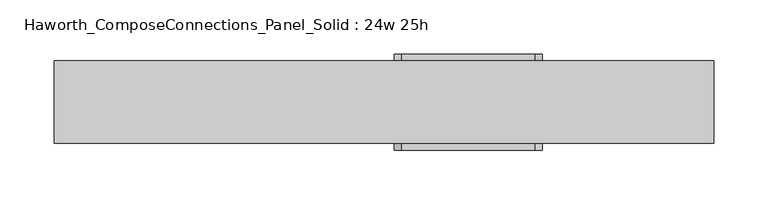
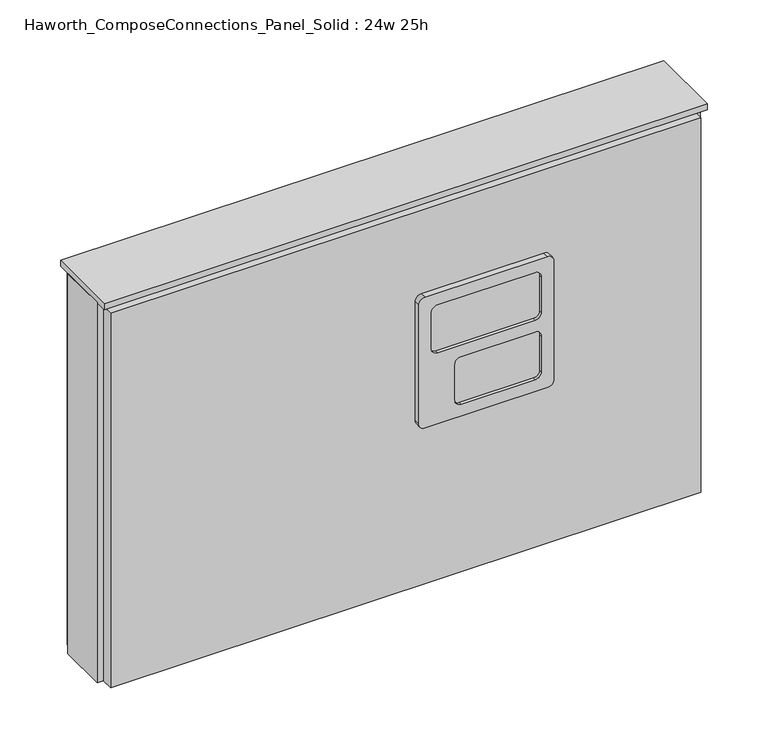
"""IFC4 building model written with IfcOpenShell, lengths in millimetres: furniture geometry, Haworth_ComposeConnections_Panel_Solid : 24w 25h."""

from ifc_helpers import new_model, si_unit, frame, origin, place, context, project, spatial, polyline, circle_curve, outline, extrude, source, transform, mapped, element, save
from ifc_brep_helpers import plane_surface, cylinder_surface, revolved_surface, advanced_brep


def haworth_composeconnections_panel_solid_24w_25h_9d634879(model_context):
    return source(origin(), model_context, "Body", "SolidModel", [
        advanced_brep(
        [(18.3152902, 38.1, 546.1), (11.9652902, 38.1, 539.75), (11.9652902, 38.1, 412.75), (18.3152902, 38.1, 406.4), (142.1402902, 38.1, 406.4), (148.4902902, 38.1, 412.75), (148.4902902, 38.1, 539.75), (142.1402902, 38.1, 546.1), (18.3152902, 44.45, 546.1), (142.1402902, 44.45, 546.1), (148.4902902, 44.45, 539.75), (148.4902902, 44.45, 412.75), (142.1402902, 44.45, 406.4), (18.3152902, 44.45, 406.4), (11.9652902, 44.45, 412.75), (11.9652902, 44.45, 539.75), (31.0152902, 44.45, 533.4), (24.6652902, 44.45, 527.05), (24.6652902, 44.45, 488.95), (31.0152902, 44.45, 482.6), (129.4402902, 44.45, 482.6), (135.7902902, 44.45, 488.95), (135.7902902, 44.45, 527.05), (129.4402902, 44.45, 533.4), (31.0152902, 44.45, 469.9), (24.6652902, 44.45, 463.55), (24.6652902, 44.45, 425.45), (31.0152902, 44.45, 419.1), (105.6277902, 44.45, 419.1), (111.9777902, 44.45, 425.45), (111.9777902, 44.45, 463.55), (105.6277902, 44.45, 469.9), (31.0152902, 41.275, 533.4), (129.4402902, 41.275, 533.4), (135.7902902, 41.275, 527.05), (135.7902902, 41.275, 488.95), (129.4402902, 41.275, 482.6), (31.0152902, 41.275, 482.6), (24.6652902, 41.275, 488.95), (24.6652902, 41.275, 527.05), (31.0152902, 41.275, 469.9), (105.6277902, 41.275, 469.9), (111.9777902, 41.275, 463.55), (111.9777902, 41.275, 425.45), (105.6277902, 41.275, 419.1), (31.0152902, 41.275, 419.1), (24.6652902, 41.275, 425.45), (24.6652902, 41.275, 463.55)],
        [
            (0, 1, circle_curve(frame((18.3152902, 38.1, 539.75), z_axis=(0.0, -1.0, 0.0), x_axis=(1.0, 0.0, 0.0)), 6.35)),
            (1, 2),
            (2, 3, circle_curve(frame((18.3152902, 38.1, 412.75), z_axis=(0.0, -1.0, 0.0), x_axis=(1.0, 0.0, 0.0)), 6.35)),
            (3, 4),
            (4, 5, circle_curve(frame((142.1402902, 38.1, 412.75), z_axis=(0.0, -1.0, 0.0), x_axis=(1.0, 0.0, 0.0)), 6.35)),
            (5, 6),
            (6, 7, circle_curve(frame((142.1402902, 38.1, 539.75), z_axis=(0.0, -1.0, 0.0), x_axis=(1.0, 0.0, 0.0)), 6.35)),
            (7, 0),
            (8, 9),
            (9, 10, circle_curve(frame((142.1402902, 44.45, 539.75), z_axis=(0.0, 1.0, 0.0), x_axis=(1.0, 0.0, 0.0)), 6.35)),
            (10, 11),
            (11, 12, circle_curve(frame((142.1402902, 44.45, 412.75), z_axis=(0.0, 1.0, 0.0), x_axis=(1.0, 0.0, 0.0)), 6.35)),
            (12, 13),
            (13, 14, circle_curve(frame((18.3152902, 44.45, 412.75), z_axis=(0.0, 1.0, 0.0), x_axis=(1.0, 0.0, 0.0)), 6.35)),
            (14, 15),
            (15, 8, circle_curve(frame((18.3152902, 44.45, 539.75), z_axis=(0.0, 1.0, 0.0), x_axis=(1.0, 0.0, 0.0)), 6.35)),
            (16, 17, circle_curve(frame((31.0152902, 44.45, 527.05), z_axis=(0.0, -1.0, 0.0), x_axis=(1.0, 0.0, 0.0)), 6.35)),
            (17, 18),
            (18, 19, circle_curve(frame((31.0152902, 44.45, 488.95), z_axis=(0.0, -1.0, 0.0), x_axis=(1.0, 0.0, 0.0)), 6.35)),
            (19, 20),
            (20, 21, circle_curve(frame((129.4402902, 44.45, 488.95), z_axis=(0.0, -1.0, 0.0), x_axis=(1.0, 0.0, 0.0)), 6.35)),
            (21, 22),
            (22, 23, circle_curve(frame((129.4402902, 44.45, 527.05), z_axis=(0.0, -1.0, 0.0), x_axis=(1.0, 0.0, 0.0)), 6.35)),
            (23, 16),
            (24, 25, circle_curve(frame((31.0152902, 44.45, 463.55), z_axis=(0.0, -1.0, 0.0), x_axis=(1.0, 0.0, 0.0)), 6.35)),
            (25, 26),
            (26, 27, circle_curve(frame((31.0152902, 44.45, 425.45), z_axis=(0.0, -1.0, 0.0), x_axis=(1.0, 0.0, 0.0)), 6.35)),
            (27, 28),
            (28, 29, circle_curve(frame((105.6277902, 44.45, 425.45), z_axis=(0.0, -1.0, 0.0), x_axis=(1.0, 0.0, 0.0)), 6.35)),
            (29, 30),
            (30, 31, circle_curve(frame((105.6277902, 44.45, 463.55), z_axis=(0.0, -1.0, 0.0), x_axis=(1.0, 0.0, 0.0)), 6.35)),
            (31, 24),
            (0, 8),
            (15, 1),
            (14, 2),
            (13, 3),
            (12, 4),
            (11, 5),
            (10, 6),
            (9, 7),
            (32, 33),
            (33, 34, circle_curve(frame((129.4402902, 41.275, 527.05), z_axis=(0.0, 1.0, 0.0), x_axis=(1.0, 0.0, 0.0)), 6.35)),
            (34, 35),
            (35, 36, circle_curve(frame((129.4402902, 41.275, 488.95), z_axis=(0.0, 1.0, 0.0), x_axis=(1.0, 0.0, 0.0)), 6.35)),
            (36, 37),
            (37, 38, circle_curve(frame((31.0152902, 41.275, 488.95), z_axis=(0.0, 1.0, 0.0), x_axis=(1.0, 0.0, 0.0)), 6.35)),
            (38, 39),
            (39, 32, circle_curve(frame((31.0152902, 41.275, 527.05), z_axis=(0.0, 1.0, 0.0), x_axis=(1.0, 0.0, 0.0)), 6.35)),
            (40, 41),
            (41, 42, circle_curve(frame((105.6277902, 41.275, 463.55), z_axis=(0.0, 1.0, 0.0), x_axis=(1.0, 0.0, 0.0)), 6.35)),
            (42, 43),
            (43, 44, circle_curve(frame((105.6277902, 41.275, 425.45), z_axis=(0.0, 1.0, 0.0), x_axis=(1.0, 0.0, 0.0)), 6.35)),
            (44, 45),
            (45, 46, circle_curve(frame((31.0152902, 41.275, 425.45), z_axis=(0.0, 1.0, 0.0), x_axis=(1.0, 0.0, 0.0)), 6.35)),
            (46, 47),
            (47, 40, circle_curve(frame((31.0152902, 41.275, 463.55), z_axis=(0.0, 1.0, 0.0), x_axis=(1.0, 0.0, 0.0)), 6.35)),
            (39, 17),
            (16, 32),
            (38, 18),
            (37, 19),
            (36, 20),
            (35, 21),
            (34, 22),
            (33, 23),
            (47, 25),
            (24, 40),
            (46, 26),
            (45, 27),
            (44, 28),
            (43, 29),
            (42, 30),
            (41, 31),
        ],
        [
            plane_surface(frame((24.6652902, 38.1, 539.75), z_axis=(0.0, -1.0, 0.0), x_axis=(0.0, 0.0, 1.0))),
            plane_surface(frame((24.6652902, 44.45, 539.75), z_axis=(0.0, 1.0, 0.0), x_axis=(0.0, 0.0, -1.0))),
            cylinder_surface(frame((18.3152902, 44.45, 539.75), z_axis=(0.0, -1.0, 0.0), x_axis=(1.0, 0.0, 0.0)), 6.35),
            plane_surface(frame((11.9652902, 38.1, 539.75), z_axis=(-1.0, 0.0, 0.0), x_axis=(0.0, 1.0, 0.0))),
            cylinder_surface(frame((18.3152902, 44.45, 412.75), z_axis=(0.0, -1.0, 0.0), x_axis=(1.0, 0.0, 0.0)), 6.35),
            plane_surface(frame((18.3152902, 38.1, 406.4), z_axis=(0.0, 0.0, -1.0), x_axis=(0.0, 1.0, 0.0))),
            cylinder_surface(frame((142.1402902, 44.45, 412.75), z_axis=(0.0, -1.0, 0.0), x_axis=(1.0, 0.0, 0.0)), 6.35),
            plane_surface(frame((148.4902902, 38.1, 412.75), z_axis=(1.0, 0.0, 0.0), x_axis=(0.0, 1.0, 0.0))),
            cylinder_surface(frame((142.1402902, 44.45, 539.75), z_axis=(0.0, -1.0, 0.0), x_axis=(1.0, 0.0, 0.0)), 6.35),
            plane_surface(frame((142.1402902, 38.1, 546.1), z_axis=(0.0, 0.0, 1.0), x_axis=(0.0, 1.0, 0.0))),
            plane_surface(frame((37.3652902, 41.275, 527.05), z_axis=(0.0, 1.0, 0.0), x_axis=(0.0, 0.0, 1.0))),
            revolved_surface(polyline([(37.3652902, 41.275, 527.05), (37.3652902, 44.45, 527.05)]), (31.0152902, 44.45, 527.05), (0.0, -1.0, 0.0)),
            plane_surface(frame((24.6652902, 41.275, 527.05), z_axis=(1.0, 0.0, 0.0), x_axis=(0.0, 1.0, 0.0))),
            revolved_surface(polyline([(37.3652902, 41.275, 488.95), (37.3652902, 44.45, 488.95)]), (31.0152902, 44.45, 488.95), (0.0, -1.0, 0.0)),
            plane_surface(frame((31.0152902, 41.275, 482.6), z_axis=(0.0, 0.0, 1.0), x_axis=(0.0, 1.0, 0.0))),
            revolved_surface(polyline([(135.7902902, 41.275, 488.95), (135.7902902, 44.45, 488.95)]), (129.4402902, 44.45, 488.95), (0.0, -1.0, 0.0)),
            plane_surface(frame((135.7902902, 41.275, 488.95), z_axis=(-1.0, 0.0, 0.0), x_axis=(0.0, 1.0, 0.0))),
            revolved_surface(polyline([(135.7902902, 41.275, 527.05), (135.7902902, 44.45, 527.05)]), (129.4402902, 44.45, 527.05), (0.0, -1.0, 0.0)),
            plane_surface(frame((129.4402902, 41.275, 533.4), z_axis=(0.0, 0.0, -1.0), x_axis=(0.0, 1.0, 0.0))),
            revolved_surface(polyline([(37.3652902, 41.275, 463.55), (37.3652902, 44.45, 463.55)]), (31.0152902, 44.45, 463.55), (0.0, -1.0, 0.0)),
            plane_surface(frame((24.6652902, 41.275, 463.55), z_axis=(1.0, 0.0, 0.0), x_axis=(0.0, 1.0, 0.0))),
            revolved_surface(polyline([(37.3652902, 41.275, 425.45), (37.3652902, 44.45, 425.45)]), (31.0152902, 44.45, 425.45), (0.0, -1.0, 0.0)),
            plane_surface(frame((31.0152902, 41.275, 419.1), z_axis=(0.0, 0.0, 1.0), x_axis=(0.0, 1.0, 0.0))),
            revolved_surface(polyline([(111.9777902, 41.275, 425.45), (111.9777902, 44.45, 425.45)]), (105.6277902, 44.45, 425.45), (0.0, -1.0, 0.0)),
            plane_surface(frame((111.9777902, 41.275, 425.45), z_axis=(-1.0, 0.0, 0.0), x_axis=(0.0, 1.0, 0.0))),
            revolved_surface(polyline([(111.9777902, 41.275, 463.55), (111.9777902, 44.45, 463.55)]), (105.6277902, 44.45, 463.55), (0.0, -1.0, 0.0)),
            plane_surface(frame((105.6277902, 41.275, 469.9), z_axis=(0.0, 0.0, -1.0), x_axis=(0.0, 1.0, 0.0))),
        ],
        [
            (0, [[1, 2, 3, 4, 5, 6, 7, 8]]),
            (1, [[9, 10, 11, 12, 13, 14, 15, 16], [17, 18, 19, 20, 21, 22, 23, 24], [25, 26, 27, 28, 29, 30, 31, 32]]),
            (2, [[-1, 33, -16, 34]]),
            (3, [[-2, -34, -15, 35]]),
            (4, [[-3, -35, -14, 36]]),
            (5, [[-4, -36, -13, 37]]),
            (6, [[-5, -37, -12, 38]]),
            (7, [[-6, -38, -11, 39]]),
            (8, [[-7, -39, -10, 40]]),
            (9, [[-8, -40, -9, -33]]),
            (10, [[41, 42, 43, 44, 45, 46, 47, 48]]),
            (10, [[49, 50, 51, 52, 53, 54, 55, 56]]),
            (11, [[-48, 57, -17, 58]]),
            (12, [[-47, 59, -18, -57]]),
            (13, [[-46, 60, -19, -59]]),
            (14, [[-45, 61, -20, -60]]),
            (15, [[-44, 62, -21, -61]]),
            (16, [[-43, 63, -22, -62]]),
            (17, [[-42, 64, -23, -63]]),
            (18, [[-41, -58, -24, -64]]),
            (19, [[-56, 65, -25, 66]]),
            (20, [[-55, 67, -26, -65]]),
            (21, [[-54, 68, -27, -67]]),
            (22, [[-53, 69, -28, -68]]),
            (23, [[-52, 70, -29, -69]]),
            (24, [[-51, 71, -30, -70]]),
            (25, [[-50, 72, -31, -71]]),
            (26, [[-49, -66, -32, -72]]),
        ],
    ),
        advanced_brep(
        [(142.1402902, -38.1, 546.1), (148.4902902, -38.1, 539.75), (148.4902902, -38.1, 412.75), (142.1402902, -38.1, 406.4), (18.3152902, -38.1, 406.4), (11.9652902, -38.1, 412.75), (11.9652902, -38.1, 539.75), (18.3152902, -38.1, 546.1), (142.1402902, -44.45, 546.1), (18.3152902, -44.45, 546.1), (11.9652902, -44.45, 539.75), (11.9652902, -44.45, 412.75), (18.3152902, -44.45, 406.4), (142.1402902, -44.45, 406.4), (148.4902902, -44.45, 412.75), (148.4902902, -44.45, 539.75), (129.4402902, -44.45, 533.4), (135.7902902, -44.45, 527.05), (135.7902902, -44.45, 488.95), (129.4402902, -44.45, 482.6), (31.0152902, -44.45, 482.6), (24.6652902, -44.45, 488.95), (24.6652902, -44.45, 527.05), (31.0152902, -44.45, 533.4), (129.4402902, -44.45, 469.9), (135.7902902, -44.45, 463.55), (135.7902902, -44.45, 425.45), (129.4402902, -44.45, 419.1), (54.8277902, -44.45, 419.1), (48.4777902, -44.45, 425.45), (48.4777902, -44.45, 463.55), (54.8277902, -44.45, 469.9), (129.4402902, -41.275, 533.4), (31.0152902, -41.275, 533.4), (24.6652902, -41.275, 527.05), (24.6652902, -41.275, 488.95), (31.0152902, -41.275, 482.6), (129.4402902, -41.275, 482.6), (135.7902902, -41.275, 488.95), (135.7902902, -41.275, 527.05), (129.4402902, -41.275, 469.9), (54.8277902, -41.275, 469.9), (48.4777902, -41.275, 463.55), (48.4777902, -41.275, 425.45), (54.8277902, -41.275, 419.1), (129.4402902, -41.275, 419.1), (135.7902902, -41.275, 425.45), (135.7902902, -41.275, 463.55)],
        [
            (0, 1, circle_curve(frame((142.1402902, -38.1, 539.75), z_axis=(0.0, 1.0, 0.0), x_axis=(-1.0, 0.0, 0.0)), 6.35)),
            (1, 2),
            (2, 3, circle_curve(frame((142.1402902, -38.1, 412.75), z_axis=(0.0, 1.0, 0.0), x_axis=(-1.0, 0.0, 0.0)), 6.35)),
            (3, 4),
            (4, 5, circle_curve(frame((18.3152902, -38.1, 412.75), z_axis=(0.0, 1.0, 0.0), x_axis=(-1.0, 0.0, 0.0)), 6.35)),
            (5, 6),
            (6, 7, circle_curve(frame((18.3152902, -38.1, 539.75), z_axis=(0.0, 1.0, 0.0), x_axis=(-1.0, 0.0, 0.0)), 6.35)),
            (7, 0),
            (8, 9),
            (9, 10, circle_curve(frame((18.3152902, -44.45, 539.75), z_axis=(0.0, -1.0, 0.0), x_axis=(-1.0, 0.0, 0.0)), 6.35)),
            (10, 11),
            (11, 12, circle_curve(frame((18.3152902, -44.45, 412.75), z_axis=(0.0, -1.0, 0.0), x_axis=(-1.0, 0.0, 0.0)), 6.35)),
            (12, 13),
            (13, 14, circle_curve(frame((142.1402902, -44.45, 412.75), z_axis=(0.0, -1.0, 0.0), x_axis=(-1.0, 0.0, 0.0)), 6.35)),
            (14, 15),
            (15, 8, circle_curve(frame((142.1402902, -44.45, 539.75), z_axis=(0.0, -1.0, 0.0), x_axis=(-1.0, 0.0, 0.0)), 6.35)),
            (16, 17, circle_curve(frame((129.4402902, -44.45, 527.05), z_axis=(0.0, 1.0, 0.0), x_axis=(-1.0, 0.0, 0.0)), 6.35)),
            (17, 18),
            (18, 19, circle_curve(frame((129.4402902, -44.45, 488.95), z_axis=(0.0, 1.0, 0.0), x_axis=(-1.0, 0.0, 0.0)), 6.35)),
            (19, 20),
            (20, 21, circle_curve(frame((31.0152902, -44.45, 488.95), z_axis=(0.0, 1.0, 0.0), x_axis=(-1.0, 0.0, 0.0)), 6.35)),
            (21, 22),
            (22, 23, circle_curve(frame((31.0152902, -44.45, 527.05), z_axis=(0.0, 1.0, 0.0), x_axis=(-1.0, 0.0, 0.0)), 6.35)),
            (23, 16),
            (24, 25, circle_curve(frame((129.4402902, -44.45, 463.55), z_axis=(0.0, 1.0, 0.0), x_axis=(-1.0, 0.0, 0.0)), 6.35)),
            (25, 26),
            (26, 27, circle_curve(frame((129.4402902, -44.45, 425.45), z_axis=(0.0, 1.0, 0.0), x_axis=(-1.0, 0.0, 0.0)), 6.35)),
            (27, 28),
            (28, 29, circle_curve(frame((54.8277902, -44.45, 425.45), z_axis=(0.0, 1.0, 0.0), x_axis=(-1.0, 0.0, 0.0)), 6.35)),
            (29, 30),
            (30, 31, circle_curve(frame((54.8277902, -44.45, 463.55), z_axis=(0.0, 1.0, 0.0), x_axis=(-1.0, 0.0, 0.0)), 6.35)),
            (31, 24),
            (0, 8),
            (15, 1),
            (14, 2),
            (13, 3),
            (12, 4),
            (11, 5),
            (10, 6),
            (9, 7),
            (32, 33),
            (33, 34, circle_curve(frame((31.0152902, -41.275, 527.05), z_axis=(0.0, -1.0, 0.0), x_axis=(-1.0, 0.0, 0.0)), 6.35)),
            (34, 35),
            (35, 36, circle_curve(frame((31.0152902, -41.275, 488.95), z_axis=(0.0, -1.0, 0.0), x_axis=(-1.0, 0.0, 0.0)), 6.35)),
            (36, 37),
            (37, 38, circle_curve(frame((129.4402902, -41.275, 488.95), z_axis=(0.0, -1.0, 0.0), x_axis=(-1.0, 0.0, 0.0)), 6.35)),
            (38, 39),
            (39, 32, circle_curve(frame((129.4402902, -41.275, 527.05), z_axis=(0.0, -1.0, 0.0), x_axis=(-1.0, 0.0, 0.0)), 6.35)),
            (40, 41),
            (41, 42, circle_curve(frame((54.8277902, -41.275, 463.55), z_axis=(0.0, -1.0, 0.0), x_axis=(-1.0, 0.0, 0.0)), 6.35)),
            (42, 43),
            (43, 44, circle_curve(frame((54.8277902, -41.275, 425.45), z_axis=(0.0, -1.0, 0.0), x_axis=(-1.0, 0.0, 0.0)), 6.35)),
            (44, 45),
            (45, 46, circle_curve(frame((129.4402902, -41.275, 425.45), z_axis=(0.0, -1.0, 0.0), x_axis=(-1.0, 0.0, 0.0)), 6.35)),
            (46, 47),
            (47, 40, circle_curve(frame((129.4402902, -41.275, 463.55), z_axis=(0.0, -1.0, 0.0), x_axis=(-1.0, 0.0, 0.0)), 6.35)),
            (39, 17),
            (16, 32),
            (38, 18),
            (37, 19),
            (36, 20),
            (35, 21),
            (34, 22),
            (33, 23),
            (47, 25),
            (24, 40),
            (46, 26),
            (45, 27),
            (44, 28),
            (43, 29),
            (42, 30),
            (41, 31),
        ],
        [
            plane_surface(frame((135.7902902, -38.1, 539.75), z_axis=(0.0, 1.0, 0.0), x_axis=(0.0, 0.0, 1.0))),
            plane_surface(frame((135.7902902, -44.45, 539.75), z_axis=(0.0, -1.0, 0.0), x_axis=(0.0, 0.0, -1.0))),
            cylinder_surface(frame((142.1402902, -44.45, 539.75), z_axis=(0.0, 1.0, 0.0), x_axis=(-1.0, 0.0, 0.0)), 6.35),
            plane_surface(frame((148.4902902, -38.1, 539.75), z_axis=(1.0, 0.0, 0.0), x_axis=(0.0, -1.0, 0.0))),
            cylinder_surface(frame((142.1402902, -44.45, 412.75), z_axis=(0.0, 1.0, 0.0), x_axis=(-1.0, 0.0, 0.0)), 6.35),
            plane_surface(frame((142.1402902, -38.1, 406.4), z_axis=(0.0, 0.0, -1.0), x_axis=(0.0, -1.0, 0.0))),
            cylinder_surface(frame((18.3152902, -44.45, 412.75), z_axis=(0.0, 1.0, 0.0), x_axis=(-1.0, 0.0, 0.0)), 6.35),
            plane_surface(frame((11.9652902, -38.1, 412.75), z_axis=(-1.0, 0.0, 0.0), x_axis=(0.0, -1.0, 0.0))),
            cylinder_surface(frame((18.3152902, -44.45, 539.75), z_axis=(0.0, 1.0, 0.0), x_axis=(-1.0, 0.0, 0.0)), 6.35),
            plane_surface(frame((18.3152902, -38.1, 546.1), z_axis=(0.0, 0.0, 1.0), x_axis=(0.0, -1.0, 0.0))),
            plane_surface(frame((123.0902902, -41.275, 527.05), z_axis=(0.0, -1.0, 0.0), x_axis=(0.0, 0.0, 1.0))),
            revolved_surface(polyline([(123.0902902, -41.275, 527.05), (123.0902902, -44.45, 527.05)]), (129.4402902, -44.45, 527.05), (0.0, 1.0, 0.0)),
            plane_surface(frame((135.7902902, -41.275, 527.05), z_axis=(-1.0, 0.0, 0.0), x_axis=(0.0, -1.0, 0.0))),
            revolved_surface(polyline([(123.0902902, -41.275, 488.95), (123.0902902, -44.45, 488.95)]), (129.4402902, -44.45, 488.95), (0.0, 1.0, 0.0)),
            plane_surface(frame((129.4402902, -41.275, 482.6), z_axis=(0.0, 0.0, 1.0), x_axis=(0.0, -1.0, 0.0))),
            revolved_surface(polyline([(24.6652902, -41.275, 488.95), (24.6652902, -44.45, 488.95)]), (31.0152902, -44.45, 488.95), (0.0, 1.0, 0.0)),
            plane_surface(frame((24.6652902, -41.275, 488.95), z_axis=(1.0, 0.0, 0.0), x_axis=(0.0, -1.0, 0.0))),
            revolved_surface(polyline([(24.6652902, -41.275, 527.05), (24.6652902, -44.45, 527.05)]), (31.0152902, -44.45, 527.05), (0.0, 1.0, 0.0)),
            plane_surface(frame((31.0152902, -41.275, 533.4), z_axis=(0.0, 0.0, -1.0), x_axis=(0.0, -1.0, 0.0))),
            revolved_surface(polyline([(123.0902902, -41.275, 463.55), (123.0902902, -44.45, 463.55)]), (129.4402902, -44.45, 463.55), (0.0, 1.0, 0.0)),
            plane_surface(frame((135.7902902, -41.275, 463.55), z_axis=(-1.0, 0.0, 0.0), x_axis=(0.0, -1.0, 0.0))),
            revolved_surface(polyline([(123.0902902, -41.275, 425.45), (123.0902902, -44.45, 425.45)]), (129.4402902, -44.45, 425.45), (0.0, 1.0, 0.0)),
            plane_surface(frame((129.4402902, -41.275, 419.1), z_axis=(0.0, 0.0, 1.0), x_axis=(0.0, -1.0, 0.0))),
            revolved_surface(polyline([(48.4777902, -41.275, 425.45), (48.4777902, -44.45, 425.45)]), (54.8277902, -44.45, 425.45), (0.0, 1.0, 0.0)),
            plane_surface(frame((48.4777902, -41.275, 425.45), z_axis=(1.0, 0.0, 0.0), x_axis=(0.0, -1.0, 0.0))),
            revolved_surface(polyline([(48.4777902, -41.275, 463.55), (48.4777902, -44.45, 463.55)]), (54.8277902, -44.45, 463.55), (0.0, 1.0, 0.0)),
            plane_surface(frame((54.8277902, -41.275, 469.9), z_axis=(0.0, 0.0, -1.0), x_axis=(0.0, -1.0, 0.0))),
        ],
        [
            (0, [[1, 2, 3, 4, 5, 6, 7, 8]]),
            (1, [[9, 10, 11, 12, 13, 14, 15, 16], [17, 18, 19, 20, 21, 22, 23, 24], [25, 26, 27, 28, 29, 30, 31, 32]]),
            (2, [[-1, 33, -16, 34]]),
            (3, [[-2, -34, -15, 35]]),
            (4, [[-3, -35, -14, 36]]),
            (5, [[-4, -36, -13, 37]]),
            (6, [[-5, -37, -12, 38]]),
            (7, [[-6, -38, -11, 39]]),
            (8, [[-7, -39, -10, 40]]),
            (9, [[-8, -40, -9, -33]]),
            (10, [[41, 42, 43, 44, 45, 46, 47, 48]]),
            (10, [[49, 50, 51, 52, 53, 54, 55, 56]]),
            (11, [[-48, 57, -17, 58]]),
            (12, [[-47, 59, -18, -57]]),
            (13, [[-46, 60, -19, -59]]),
            (14, [[-45, 61, -20, -60]]),
            (15, [[-44, 62, -21, -61]]),
            (16, [[-43, 63, -22, -62]]),
            (17, [[-42, 64, -23, -63]]),
            (18, [[-41, -58, -24, -64]]),
            (19, [[-56, 65, -25, 66]]),
            (20, [[-55, 67, -26, -65]]),
            (21, [[-54, 68, -27, -67]]),
            (22, [[-53, 69, -28, -68]]),
            (23, [[-52, 70, -29, -69]]),
            (24, [[-51, 71, -30, -70]]),
            (25, [[-50, 72, -31, -71]]),
            (26, [[-49, -66, -32, -72]]),
        ],
    ),
        extrude(outline(polyline([(307.2402902, -25.4), (-302.3597098, -25.4), (-302.3597098, 25.4), (307.2402902, 25.4), (307.2402902, -25.4)])), frame((0.0, 0.0, 234.95), z_axis=(0.0, 0.0, 1.0), x_axis=(1.0, 0.0, 0.0)), (0.0, 0.0, 1.0), 406.4),
        extrude(outline(polyline([(-296.0097098, -25.4), (300.8902902, -25.4), (300.8902902, -38.1), (-296.0097098, -38.1), (-296.0097098, -25.4)])), frame((0.0, 0.0, 234.95), z_axis=(0.0, 0.0, 1.0), x_axis=(1.0, 0.0, 0.0)), (0.0, 0.0, 1.0), 400.05),
        extrude(outline(polyline([(-296.0097098, 38.1), (300.8902902, 38.1), (300.8902902, 25.4), (-296.0097098, 25.4), (-296.0097098, 38.1)])), frame((0.0, 0.0, 234.95), z_axis=(0.0, 0.0, 1.0), x_axis=(1.0, 0.0, 0.0)), (0.0, 0.0, 1.0), 400.05),
        extrude(outline(polyline([(-302.3597098, -38.1), (-302.3597098, 38.1), (307.2402902, 38.1), (307.2402902, -38.1), (-302.3597098, -38.1)])), frame((0.0, 0.0, 641.35), z_axis=(0.0, 0.0, 1.0), x_axis=(1.0, 0.0, 0.0)), (0.0, 0.0, 1.0), 6.35),
    ])


if __name__ == "__main__":
    model = new_model("IFC4")
    model_context = context("Model", 3, world=origin())
    ifc_project = project(units=[si_unit("LENGTHUNIT", "METRE", prefix="MILLI")], contexts=[model_context])
    site = spatial("IfcSite", under=ifc_project)
    building = spatial("IfcBuilding", under=site)
    placement = place(None, origin())
    haworth_composeconnections_panel_solid_24w_25h_shape = haworth_composeconnections_panel_solid_24w_25h_9d634879(model_context)
    element("IfcFurniture", 1, ObjectType="Haworth_ComposeConnections_Panel_Solid : 24w 25h", at=placement, inside=building, context=model_context, shape_type="MappedRepresentation", body=[
        mapped(haworth_composeconnections_panel_solid_24w_25h_shape, transform((0.0, 0.0, 0.0), x_axis=(1.0, 0.0, 0.0), y_axis=(0.0, 1.0, 0.0), z_axis=(0.0, 0.0, 1.0))),
    ])
    save(model, "model.ifc")
